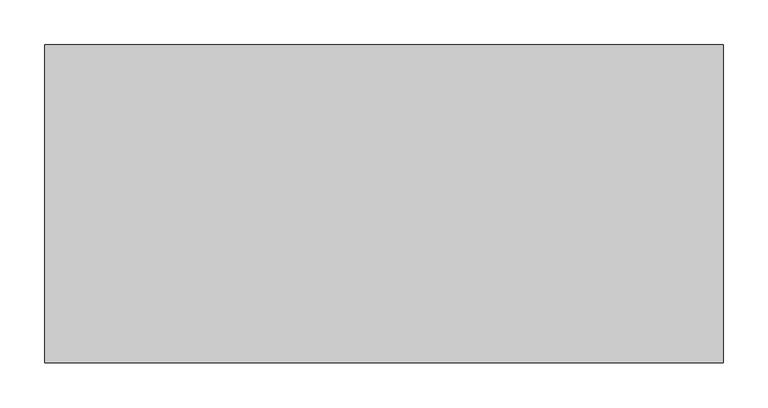
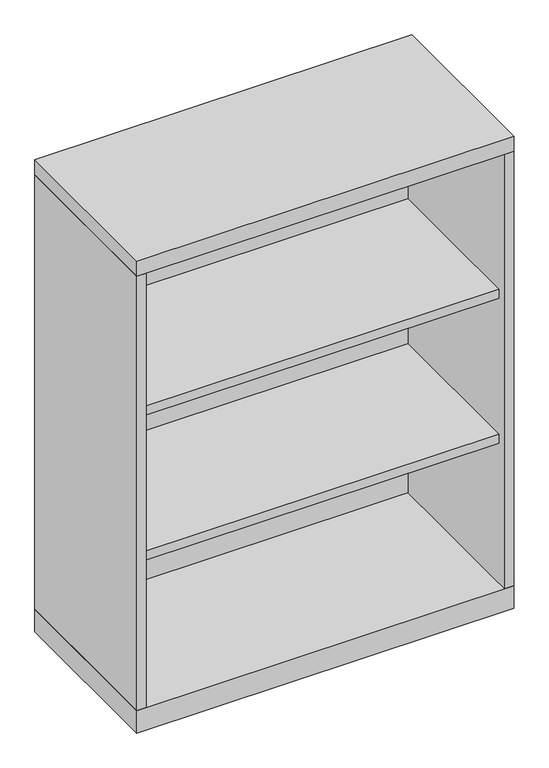
"""IFC4 building model written with IfcOpenShell, lengths in millimetres: furniture geometry."""

from ifc_helpers import new_model, si_unit, frame, origin, origin_with_axes, place, context, project, spatial, polyline, outline, extrude, source, transform, mapped, element, save


def furniture_ff01c10f(model_context):
    return source(origin(), model_context, "Body", "SweptSolid", [
        extrude(outline(polyline([(360.3625, -19.05), (360.3625, -336.55), (-360.3625, -336.55), (-360.3625, -19.05), (360.3625, -19.05)])), frame((0.0, 0.0, 654.05), z_axis=(0.0, 0.0, 1.0), x_axis=(1.0, 0.0, 0.0)), (0.0, 0.0, 1.0), 19.05),
        extrude(outline(polyline([(360.3625, -19.05), (360.3625, -336.55), (-360.3625, -336.55), (-360.3625, -19.05), (360.3625, -19.05)])), frame((0.0, 0.0, 346.075), z_axis=(0.0, 0.0, 1.0), x_axis=(1.0, 0.0, 0.0)), (0.0, 0.0, 1.0), 19.05),
        extrude(outline(polyline([(379.4125, 0.0), (379.4125, -355.6), (-379.4125, -355.6), (-379.4125, 0.0), (379.4125, 0.0)])), origin_with_axes(), (0.0, 0.0, 1.0), 47.625),
        extrude(outline(polyline([(379.4125, 0.0), (379.4125, -355.6), (-379.4125, -355.6), (-379.4125, 0.0), (379.4125, 0.0)])), frame((0.0, 0.0, 971.55), z_axis=(0.0, 0.0, 1.0), x_axis=(1.0, 0.0, 0.0)), (0.0, 0.0, 1.0), 31.75),
        extrude(outline(polyline([(379.4125, 0.0), (379.4125, -355.6), (360.3625, -355.6), (360.3625, -19.05), (-360.3625, -19.05), (-360.3625, -355.6), (-379.4125, -355.6), (-379.4125, 0.0), (379.4125, 0.0)])), frame((0.0, 0.0, 47.625), z_axis=(0.0, 0.0, 1.0), x_axis=(1.0, 0.0, 0.0)), (0.0, 0.0, 1.0), 923.925),
    ])


if __name__ == "__main__":
    model = new_model("IFC4")
    model_context = context("Model", 3, world=origin())
    ifc_project = project(units=[si_unit("LENGTHUNIT", "METRE", prefix="MILLI")], contexts=[model_context])
    site = spatial("IfcSite", under=ifc_project)
    building = spatial("IfcBuilding", under=site)
    placement = place(None, origin())
    furniture_shape = furniture_ff01c10f(model_context)
    element("IfcFurniture", 1, at=placement, inside=building, context=model_context, shape_type="MappedRepresentation", body=[
        mapped(furniture_shape, transform((0.0, 0.0, 0.0), x_axis=(1.0, 0.0, 0.0), y_axis=(0.0, 1.0, 0.0), z_axis=(0.0, 0.0, 1.0))),
    ])
    save(model, "model.ifc")
